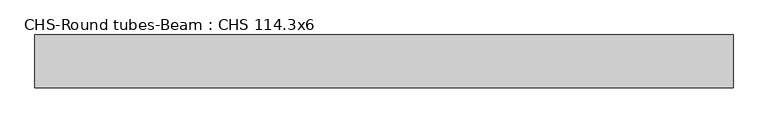
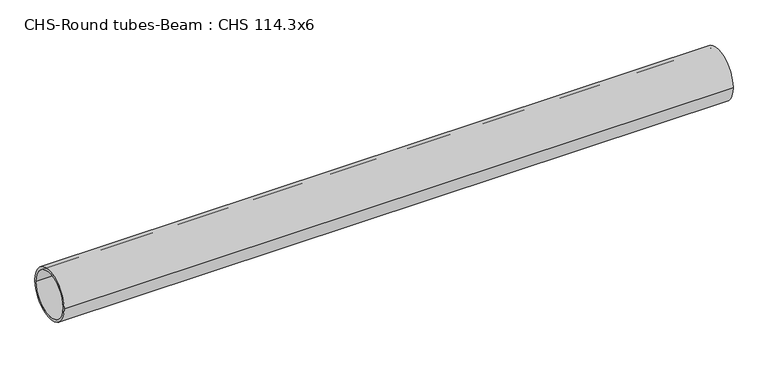
"""IFC4 building model written with IfcOpenShell, lengths in millimetres: beam geometry, CHS-Round tubes-Beam : CHS 114.3x6."""

from ifc_helpers import new_model, si_unit, point, frame, origin, origin_2d, place, context, project, spatial, circle_curve, trimmed, segment, composite_curve, outline, extrude, source, transform, mapped, element, save


def chs_round_tubes_beam_chs_114_3x6_efea13c5(model_context):
    return source(origin(), model_context, "Body", "SweptSolid", [
        extrude(outline(composite_curve([segment(trimmed(circle_curve(origin_2d(), 57.15), [point((57.15, 0.0))], [point((-57.15, 0.0))], False, "CARTESIAN"), True, "CONTINUOUS"), segment(trimmed(circle_curve(origin_2d(), 57.15), [point((-57.15, 0.0))], [point((57.15, 0.0))], False, "CARTESIAN"), True, "CONTINUOUS")], self_intersect=False), holes=[composite_curve([segment(trimmed(circle_curve(origin_2d(), 51.15), [point((51.15, 0.0))], [point((-51.15, 0.0))], True, "CARTESIAN"), True, "CONTINUOUS"), segment(trimmed(circle_curve(origin_2d(), 51.15), [point((-51.15, 0.0))], [point((51.15, 0.0))], True, "CARTESIAN"), True, "CONTINUOUS")], self_intersect=False)]), frame((-747.1793378, 0.0, 0.0), z_axis=(1.0, 0.0, 0.0), x_axis=(0.0, 1.0, 0.0)), (0.0, 0.0, 1.0), 1507.6957647),
    ])


if __name__ == "__main__":
    model = new_model("IFC4")
    model_context = context("Model", 3, world=origin())
    ifc_project = project(units=[si_unit("LENGTHUNIT", "METRE", prefix="MILLI")], contexts=[model_context])
    site = spatial("IfcSite", under=ifc_project)
    building = spatial("IfcBuilding", under=site)
    placement = place(None, origin())
    chs_round_tubes_beam_chs_114_3x6_shape = chs_round_tubes_beam_chs_114_3x6_efea13c5(model_context)
    element("IfcBeam", 1, ObjectType="CHS-Round tubes-Beam : CHS 114.3x6", at=placement, inside=building, context=model_context, shape_type="MappedRepresentation", body=[
        mapped(chs_round_tubes_beam_chs_114_3x6_shape, transform((0.0, 0.0, 0.0), x_axis=(1.0, 0.0, 0.0), y_axis=(0.0, 1.0, 0.0), z_axis=(0.0, 0.0, 1.0))),
    ])
    save(model, "model.ifc")
